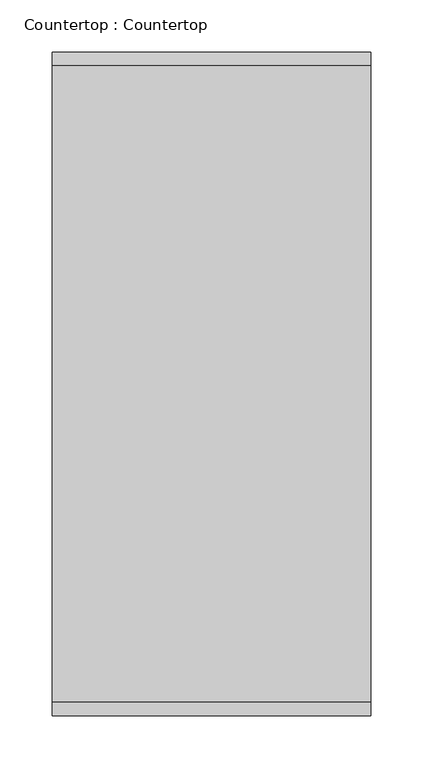
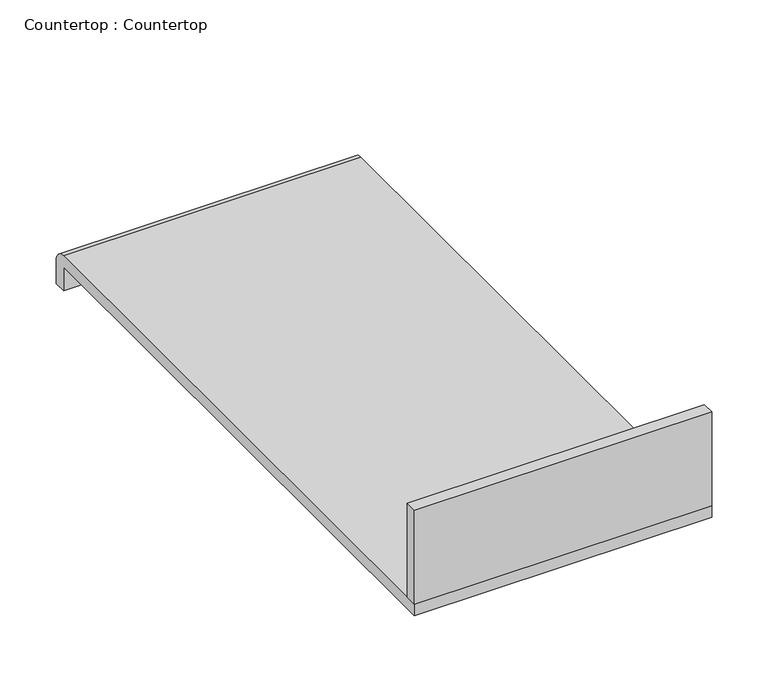
"""IFC4 building model written with IfcOpenShell, lengths in millimetres: proxy geometry, Countertop : Countertop."""

from ifc_helpers import new_model, si_unit, point, frame, frame_2d, origin, place, context, project, spatial, polyline, circle_curve, trimmed, segment, composite_curve, outline, extrude, source, transform, mapped, element, save


def countertop_countertop_ab315d3b(model_context):
    return source(origin(), model_context, "Body", "SweptSolid", [
        extrude(outline(polyline([(304.8, 0.0), (0.0, 0.0), (0.0, 12.7), (304.8, 12.7), (304.8, 0.0)])), frame((0.0, 0.0, 863.6), z_axis=(0.0, 0.0, 1.0), x_axis=(1.0, 0.0, 0.0)), (0.0, 0.0, 1.0), 101.6),
        extrude(outline(composite_curve([segment(trimmed(circle_curve(frame_2d((622.3, 850.9)), 12.7), [point((622.3, 863.6))], [point((635.0, 850.9))], False, "CARTESIAN"), True, "CONTINUOUS"), segment(polyline([(635.0, 850.9), (635.0, 825.5), (622.3, 825.5), (622.3, 850.9), (0.0, 850.9), (0.0, 863.6), (622.3, 863.6)]), True, "CONTINUOUS")], self_intersect=False)), frame((0.0, 0.0, 0.0), z_axis=(1.0, 0.0, 0.0), x_axis=(0.0, 1.0, 0.0)), (0.0, 0.0, 1.0), 304.8),
    ])


if __name__ == "__main__":
    model = new_model("IFC4")
    model_context = context("Model", 3, world=origin())
    ifc_project = project(units=[si_unit("LENGTHUNIT", "METRE", prefix="MILLI")], contexts=[model_context])
    site = spatial("IfcSite", under=ifc_project)
    building = spatial("IfcBuilding", under=site)
    placement = place(None, origin())
    countertop_countertop_shape = countertop_countertop_ab315d3b(model_context)
    element("IfcBuildingElementProxy", 1, Name="Countertop : Countertop", ObjectType="Countertop : Countertop", at=placement, inside=building, context=model_context, shape_type="MappedRepresentation", body=[
        mapped(countertop_countertop_shape, transform((0.0, 0.0, 0.0), x_axis=(1.0, 0.0, 0.0), y_axis=(0.0, 1.0, 0.0), z_axis=(0.0, 0.0, 1.0))),
    ])
    save(model, "model.ifc")
